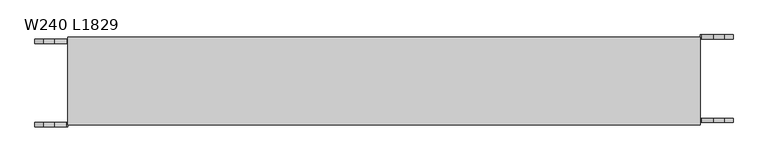
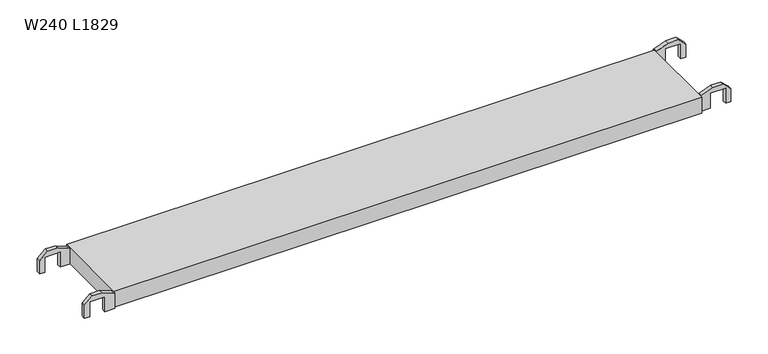
"""IFC4 building model written with IfcOpenShell, lengths in millimetres: proxy geometry, W240 L1829."""

from ifc_helpers import new_model, si_unit, frame, origin, place, context, project, spatial, polyline, outline, extrude, source, transform, mapped, element, save


def w240_l1829_3e10854f(model_context):
    return source(origin(), model_context, "Body", "SweptSolid", [
        extrude(outline(polyline([(24.1, 52.2699789), (24.1, 48.7699789), (37.5, 15.1641799), (37.5, -14.6242221), (16.179605, -37.2300211), (-24.1, -37.2300211), (-24.1, -22.2300211), (22.4243463, -22.2300211), (22.4243463, 22.7699789), (-24.1, 22.7699789), (-24.1, 52.2699789), (24.1, 52.2699789)])), frame((0.0, 228.0, 0.0), z_axis=(0.0, 1.0, 0.0), x_axis=(0.0, 0.0, 1.0)), (0.0, 0.0, 1.0), 12.0),
        extrude(outline(polyline([(24.1, 1776.6474649), (-24.1, 1776.6474649), (-24.1, 1806.1474649), (22.4243463, 1806.1474649), (22.4243463, 1851.1474649), (-24.1, 1851.1474649), (-24.1, 1866.1474649), (16.179605, 1866.1474649), (37.5, 1843.5416659), (37.5, 1813.7532639), (24.1, 1780.1474649), (24.1, 1776.6474649)])), frame((0.0, 240.0, 0.0), z_axis=(0.0, 1.0, 0.0), x_axis=(0.0, 0.0, 1.0)), (0.0, 0.0, 1.0), 12.0),
        extrude(outline(polyline([(24.1, 52.0825562), (24.1, 48.5825562), (37.5, 14.9767572), (37.5, -14.8116448), (16.179605, -37.4174438), (-24.1, -37.4174438), (-24.1, -22.4174438), (22.4243463, -22.4174438), (22.4243463, 22.5825562), (-24.1, 22.5825562), (-24.1, 52.0825562), (24.1, 52.0825562)])), frame((0.0, 0.0, 0.0), z_axis=(0.0, 1.0, 0.0), x_axis=(0.0, 0.0, 1.0)), (0.0, 0.0, 1.0), 12.0),
        extrude(outline(polyline([(24.1, 1776.6474649), (-24.1, 1776.6474649), (-24.1, 1806.1474649), (22.4243463, 1806.1474649), (22.4243463, 1851.1474649), (-24.1, 1851.1474649), (-24.1, 1866.1474649), (16.179605, 1866.1474649), (37.5, 1843.5416659), (37.5, 1813.7532639), (24.1, 1780.1474649), (24.1, 1776.6474649)])), frame((0.0, 12.0, 0.0), z_axis=(0.0, 1.0, 0.0), x_axis=(0.0, 0.0, 1.0)), (0.0, 0.0, 1.0), 12.0),
        extrude(outline(polyline([(52.0, 6.0), (52.0, 246.0), (1777.0, 246.0), (1777.0, 6.0), (52.0, 6.0)])), frame((0.0, 0.0, -25.0), z_axis=(0.0, 0.0, 1.0), x_axis=(1.0, 0.0, 0.0)), (0.0, 0.0, 1.0), 50.0),
    ])


if __name__ == "__main__":
    model = new_model("IFC4")
    model_context = context("Model", 3, world=origin())
    ifc_project = project(units=[si_unit("LENGTHUNIT", "METRE", prefix="MILLI")], contexts=[model_context])
    site = spatial("IfcSite", under=ifc_project)
    building = spatial("IfcBuilding", under=site)
    placement = place(None, origin())
    w240_l1829_shape = w240_l1829_3e10854f(model_context)
    element("IfcBuildingElementProxy", 1, Name="W240 L1829", ObjectType="W240 L1829", at=placement, inside=building, context=model_context, shape_type="MappedRepresentation", body=[
        mapped(w240_l1829_shape, transform((0.0, 0.0, 0.0), x_axis=(1.0, 0.0, 0.0), y_axis=(0.0, 1.0, 0.0), z_axis=(0.0, 0.0, 1.0))),
    ])
    save(model, "model.ifc")
